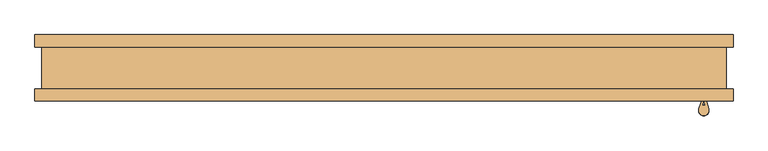
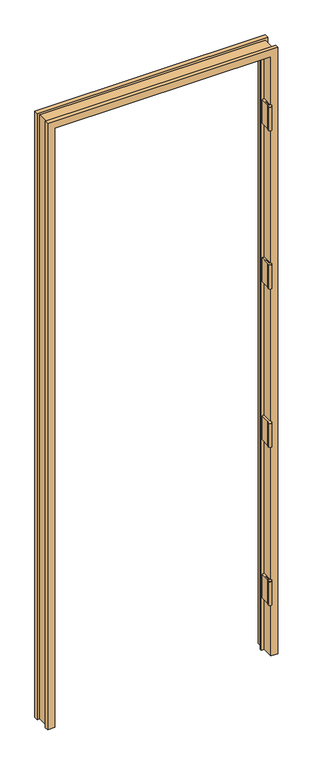
"""IFC4 building model written with IfcOpenShell, lengths in millimetres: door geometry."""

from ifc_helpers import new_model, si_unit, point, frame, frame_2d, origin, place, context, project, spatial, polyline, circle_curve, trimmed, segment, composite_curve, outline, extrude, faceted_brep, source, transform, mapped, element, save


def door_385aefc5(model_context):
    return source(origin(), model_context, "Body", "SolidModel", [
        faceted_brep([(-492.3282, -50.0254003, 0.0), (-524.9672, -50.0254003, 0.0), (-524.9672, -31.4833003, 0.0), (-514.35, -31.4833003, 0.0), (-514.35, 31.4833003, 0.0), (-524.9672, 31.4833003, 0.0), (-524.9672, 50.0254003, 0.0), (-492.3282, 50.0254003, 0.0), (-492.3282, 10.8710997, 0.0), (-479.3742, 10.8710997, 0.0), (-479.3742, 2.5906997, 0.0), (-492.3282, 2.5906997, 0.0), (492.3282, -50.0254003, 0.0), (492.3282, 2.5906997, 0.0), (479.3742, 2.5906997, 0.0), (479.3742, 10.8710997, 0.0), (492.3282, 10.8710997, 0.0), (492.3282, 50.0254003, 0.0), (524.9672, 50.0254003, 0.0), (524.9672, 31.4833003, 0.0), (514.35, 31.4833003, 0.0), (514.35, -31.4833003, 0.0), (524.9672, -31.4833003, 0.0), (524.9672, -50.0254003, 0.0), (-492.3282, 2.5906997, 2891.1475997), (-492.3282, -50.0254003, 2891.1475997), (-479.3742, 2.5906997, 2878.1935997), (479.3742, 2.5906997, 2878.1935997), (492.3282, 2.5906997, 2891.1475997), (-479.3742, 10.8710997, 2878.1935997), (-492.3282, 10.8710997, 2891.1475997), (492.3282, 10.8710997, 2891.1475997), (479.3742, 10.8710997, 2878.1935997), (-492.3282, 50.0254003, 2891.1475997), (-524.9672, 50.0254003, 2923.7865997), (524.9672, 50.0254003, 2923.7865997), (492.3282, 50.0254003, 2891.1475997), (-524.9672, 31.4833003, 2923.7865997), (-514.35, 31.4833003, 2913.1693997), (514.35, 31.4833003, 2913.1693997), (524.9672, 31.4833003, 2923.7865997), (-514.35, -31.4833003, 2913.1693997), (-524.9672, -31.4833003, 2923.7865997), (524.9672, -31.4833003, 2923.7865997), (514.35, -31.4833003, 2913.1693997), (-524.9672, -50.0254003, 2923.7865997), (492.3282, -50.0254003, 2891.1475997), (524.9672, -50.0254003, 2923.7865997)], [[[0, 1, 2, 3, 4, 5, 6, 7, 8, 9, 10, 11]], [[12, 13, 14, 15, 16, 17, 18, 19, 20, 21, 22, 23]], [[11, 24, 25, 0]], [[10, 26, 27, 14, 13, 28, 24, 11]], [[9, 29, 26, 10]], [[8, 30, 31, 16, 15, 32, 29, 9]], [[7, 33, 30, 8]], [[6, 34, 35, 18, 17, 36, 33, 7]], [[5, 37, 34, 6]], [[4, 38, 39, 20, 19, 40, 37, 5]], [[3, 41, 38, 4]], [[2, 42, 43, 22, 21, 44, 41, 3]], [[1, 45, 42, 2]], [[0, 25, 46, 12, 23, 47, 45, 1]], [[24, 28, 46, 25]], [[29, 32, 27, 26]], [[33, 36, 31, 30]], [[37, 40, 35, 34]], [[41, 44, 39, 38]], [[45, 47, 43, 42]], [[28, 13, 12, 46]], [[32, 15, 14, 27]], [[36, 17, 16, 31]], [[40, 19, 18, 35]], [[44, 21, 20, 39]], [[47, 23, 22, 43]]]),
        extrude(outline(composite_curve([segment(polyline([(476.7199, -51.4224003), (476.7199, -10.1474003), (480.1235, -10.1474003), (480.1235, -51.9241411), (478.6607341, -56.7777214)]), True, "CONTINUOUS"), segment(trimmed(circle_curve(frame_2d((480.91725, -64.1224003)), 7.6835), [point((478.6607341, -56.7777214))], [point((483.1737659, -56.7777214))], False, "CARTESIAN"), True, "CONTINUOUS"), segment(polyline([(483.1737659, -56.7777214), (481.711, -51.9241411), (481.711, -10.1474003), (485.1146, -10.1474003), (485.1146, -51.4224003), (488.2739108, -61.9052592)]), True, "CONTINUOUS"), segment(trimmed(circle_curve(frame_2d((480.91725, -64.1224003)), 7.6835), [point((488.2739108, -61.9052592))], [point((473.5605892, -61.9052592))], False, "CARTESIAN"), True, "CONTINUOUS"), segment(polyline([(473.5605892, -61.9052592), (476.7199, -51.4224003)]), True, "CONTINUOUS")], self_intersect=False)), frame((0.0, 0.0, 1025.0214025), z_axis=(0.0, 0.0, 1.0), x_axis=(1.0, 0.0, 0.0)), (0.0, 0.0, 1.0), 114.3),
        extrude(outline(composite_curve([segment(polyline([(476.7199, -51.4224003), (476.7199, -10.1474003), (480.1235, -10.1474003), (480.1235, -51.9241411), (478.6607341, -56.7777214)]), True, "CONTINUOUS"), segment(trimmed(circle_curve(frame_2d((480.91725, -64.1224003)), 7.6835), [point((478.6607341, -56.7777214))], [point((483.1737659, -56.7777214))], False, "CARTESIAN"), True, "CONTINUOUS"), segment(polyline([(483.1737659, -56.7777214), (481.711, -51.9241411), (481.711, -10.1474003), (485.1146, -10.1474003), (485.1146, -51.4224003), (488.2739108, -61.9052592)]), True, "CONTINUOUS"), segment(trimmed(circle_curve(frame_2d((480.91725, -64.1224003)), 7.6835), [point((488.2739108, -61.9052592))], [point((473.5605892, -61.9052592))], False, "CARTESIAN"), True, "CONTINUOUS"), segment(polyline([(473.5605892, -61.9052592), (476.7199, -51.4224003)]), True, "CONTINUOUS")], self_intersect=False)), frame((0.0, 0.0, 1788.0502763), z_axis=(0.0, 0.0, 1.0), x_axis=(1.0, 0.0, 0.0)), (0.0, 0.0, 1.0), 114.3),
        extrude(outline(composite_curve([segment(polyline([(476.7199, -51.4224003), (476.7199, -10.1474003), (480.1235, -10.1474003), (480.1235, -51.9241411), (478.6607341, -56.7777214)]), True, "CONTINUOUS"), segment(trimmed(circle_curve(frame_2d((480.91725, -64.1224003)), 7.6835), [point((478.6607341, -56.7777214))], [point((483.1737659, -56.7777214))], False, "CARTESIAN"), True, "CONTINUOUS"), segment(polyline([(483.1737659, -56.7777214), (481.711, -51.9241411), (481.711, -10.1474003), (485.1146, -10.1474003), (485.1146, -51.4224003), (488.2739108, -61.9052592)]), True, "CONTINUOUS"), segment(trimmed(circle_curve(frame_2d((480.91725, -64.1224003)), 7.6835), [point((488.2739108, -61.9052592))], [point((473.5605892, -61.9052592))], False, "CARTESIAN"), True, "CONTINUOUS"), segment(polyline([(473.5605892, -61.9052592), (476.7199, -51.4224003)]), True, "CONTINUOUS")], self_intersect=False)), frame((0.0, 0.0, 261.90585), z_axis=(0.0, 0.0, 1.0), x_axis=(1.0, 0.0, 0.0)), (0.0, 0.0, 1.0), 114.3),
        extrude(outline(composite_curve([segment(polyline([(476.7199, -51.4224003), (476.7199, -10.1474003), (480.1235, -10.1474003), (480.1235, -51.9241411), (478.6607341, -56.7777214)]), True, "CONTINUOUS"), segment(trimmed(circle_curve(frame_2d((480.91725, -64.1224003)), 7.6835), [point((478.6607341, -56.7777214))], [point((483.1737659, -56.7777214))], False, "CARTESIAN"), True, "CONTINUOUS"), segment(polyline([(483.1737659, -56.7777214), (481.711, -51.9241411), (481.711, -10.1474003), (485.1146, -10.1474003), (485.1146, -51.4224003), (488.2739108, -61.9052592)]), True, "CONTINUOUS"), segment(trimmed(circle_curve(frame_2d((480.91725, -64.1224003)), 7.6835), [point((488.2739108, -61.9052592))], [point((473.5605892, -61.9052592))], False, "CARTESIAN"), True, "CONTINUOUS"), segment(polyline([(473.5605892, -61.9052592), (476.7199, -51.4224003)]), True, "CONTINUOUS")], self_intersect=False)), frame((0.0, 0.0, 2551.1506), z_axis=(0.0, 0.0, 1.0), x_axis=(1.0, 0.0, 0.0)), (0.0, 0.0, 1.0), 114.3),
    ])


if __name__ == "__main__":
    model = new_model("IFC4")
    model_context = context("Model", 3, world=origin())
    ifc_project = project(units=[si_unit("LENGTHUNIT", "METRE", prefix="MILLI")], contexts=[model_context])
    site = spatial("IfcSite", under=ifc_project)
    building = spatial("IfcBuilding", under=site)
    placement = place(None, origin())
    door_shape = door_385aefc5(model_context)
    element("IfcDoor", 1, at=placement, inside=building, context=model_context, shape_type="MappedRepresentation", body=[
        mapped(door_shape, transform((0.0, 0.0, 0.0), x_axis=(1.0, 0.0, 0.0), y_axis=(0.0, 1.0, 0.0), z_axis=(0.0, 0.0, 1.0))),
    ])
    save(model, "model.ifc")
